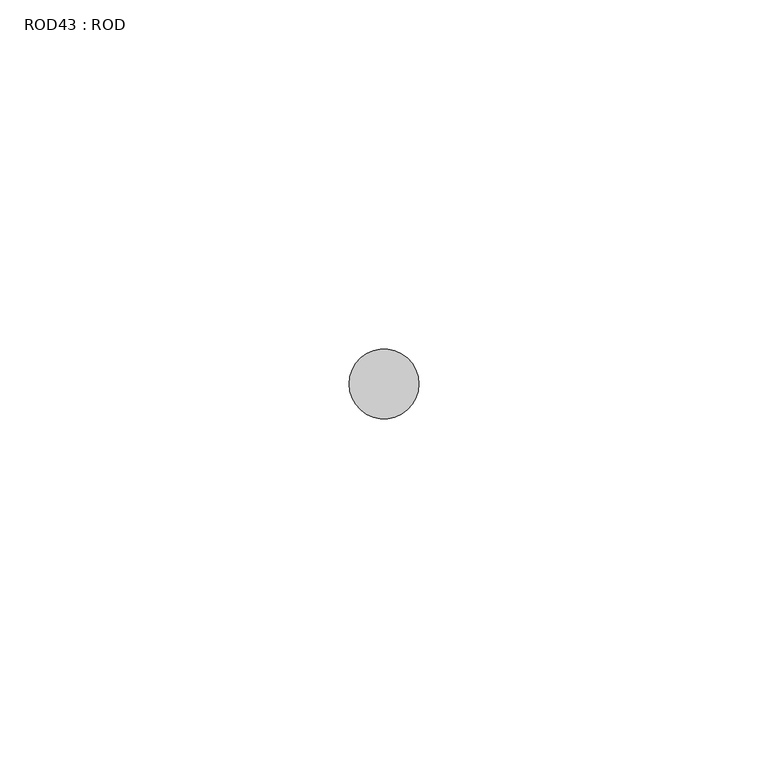
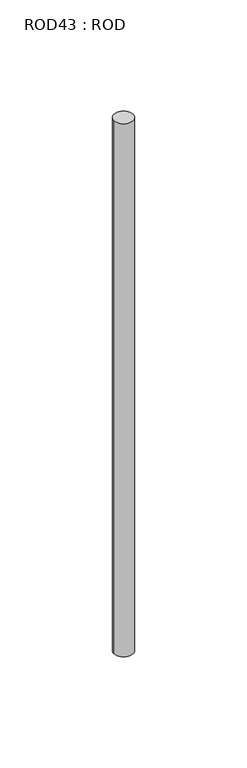
"""IFC4 building model written with IfcOpenShell, lengths in millimetres: proxy geometry, ROD43 : ROD."""

from ifc_helpers import new_model, si_unit, point, frame, frame_2d, origin, place, context, project, spatial, circle_curve, trimmed, segment, composite_curve, outline, extrude, source, transform, mapped, element, save


def rod43_rod_6fecbccf(model_context):
    return source(origin(), model_context, "Body", "SweptSolid", [
        extrude(outline(composite_curve([segment(trimmed(circle_curve(frame_2d((2179.7673324, -1114.6300853)), 5.0), [point((2174.7673324, -1114.6300853))], [point((2184.7673324, -1114.6300853))], False, "CARTESIAN"), True, "CONTINUOUS"), segment(trimmed(circle_curve(frame_2d((2179.7673324, -1114.6300853)), 5.0), [point((2184.7673324, -1114.6300853))], [point((2174.7673324, -1114.6300853))], False, "CARTESIAN"), True, "CONTINUOUS")], self_intersect=False)), frame((0.0, 0.0, -208.6608845), z_axis=(0.0, 0.0, 1.0), x_axis=(1.0, 0.0, 0.0)), (0.0, 0.0, 1.0), 298.9028972),
    ])


if __name__ == "__main__":
    model = new_model("IFC4")
    model_context = context("Model", 3, world=origin())
    ifc_project = project(units=[si_unit("LENGTHUNIT", "METRE", prefix="MILLI")], contexts=[model_context])
    site = spatial("IfcSite", under=ifc_project)
    building = spatial("IfcBuilding", under=site)
    placement = place(None, origin())
    rod43_rod_shape = rod43_rod_6fecbccf(model_context)
    element("IfcBuildingElementProxy", 1, Name="ROD43 : ROD", ObjectType="ROD43 : ROD", at=placement, inside=building, context=model_context, shape_type="MappedRepresentation", body=[
        mapped(rod43_rod_shape, transform((0.0, 0.0, 0.0), x_axis=(1.0, 0.0, 0.0), y_axis=(0.0, 1.0, 0.0), z_axis=(0.0, 0.0, 1.0))),
    ])
    save(model, "model.ifc")
